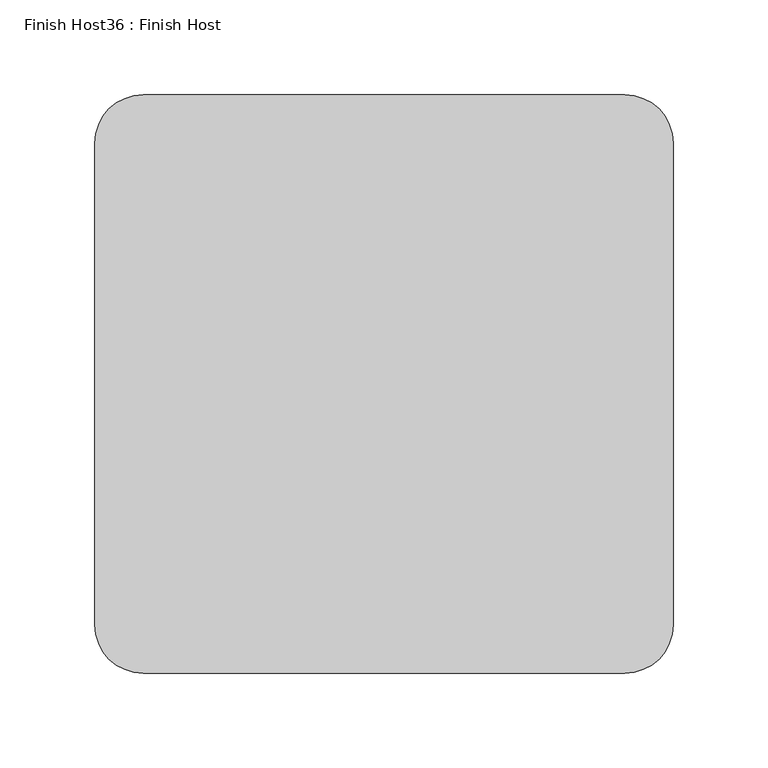
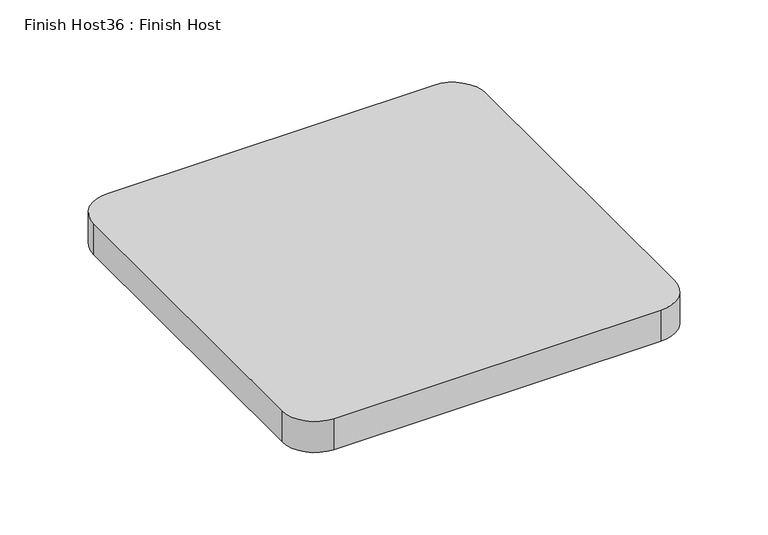
"""IFC4 building model written with IfcOpenShell, lengths in millimetres: proxy geometry, Finish Host36 : Finish Host."""

from ifc_helpers import new_model, si_unit, point, frame_2d, origin, origin_with_axes, place, context, project, spatial, polyline, circle_curve, trimmed, segment, composite_curve, outline, extrude, source, transform, mapped, element, save


def finish_host36_finish_host_4d6229b8(model_context):
    return source(origin(), model_context, "Body", "SweptSolid", [
        extrude(outline(composite_curve([segment(polyline([(3832.6934426, 3188.0122951), (3832.6934426, 3442.0122951)]), True, "CONTINUOUS"), segment(trimmed(circle_curve(frame_2d((3858.0934426, 3442.0122951)), 25.4), [point((3832.6934426, 3442.0122951))], [point((3858.0934426, 3467.4122951))], False, "CARTESIAN"), True, "CONTINUOUS"), segment(polyline([(3858.0934426, 3467.4122951), (4112.0934426, 3467.4122951)]), True, "CONTINUOUS"), segment(trimmed(circle_curve(frame_2d((4112.0934426, 3442.0122951)), 25.4), [point((4112.0934426, 3467.4122951))], [point((4137.4934426, 3442.0122951))], False, "CARTESIAN"), True, "CONTINUOUS"), segment(polyline([(4137.4934426, 3442.0122951), (4137.4934426, 3188.0122951)]), True, "CONTINUOUS"), segment(trimmed(circle_curve(frame_2d((4112.0934426, 3188.0122951)), 25.4), [point((4137.4934426, 3188.0122951))], [point((4112.0934426, 3162.6122951))], False, "CARTESIAN"), True, "CONTINUOUS"), segment(polyline([(4112.0934426, 3162.6122951), (3858.0934426, 3162.6122951)]), True, "CONTINUOUS"), segment(trimmed(circle_curve(frame_2d((3858.0934426, 3188.0122951)), 25.4), [point((3858.0934426, 3162.6122951))], [point((3832.6934426, 3188.0122951))], False, "CARTESIAN"), True, "CONTINUOUS")], self_intersect=False)), origin_with_axes(), (0.0, 0.0, 1.0), 25.4),
    ])


if __name__ == "__main__":
    model = new_model("IFC4")
    model_context = context("Model", 3, world=origin())
    ifc_project = project(units=[si_unit("LENGTHUNIT", "METRE", prefix="MILLI")], contexts=[model_context])
    site = spatial("IfcSite", under=ifc_project)
    building = spatial("IfcBuilding", under=site)
    placement = place(None, origin())
    finish_host36_finish_host_shape = finish_host36_finish_host_4d6229b8(model_context)
    element("IfcBuildingElementProxy", 1, Name="Finish Host36 : Finish Host", ObjectType="Finish Host36 : Finish Host", at=placement, inside=building, context=model_context, shape_type="MappedRepresentation", body=[
        mapped(finish_host36_finish_host_shape, transform((0.0, 0.0, 0.0), x_axis=(1.0, 0.0, 0.0), y_axis=(0.0, 1.0, 0.0), z_axis=(0.0, 0.0, 1.0))),
    ])
    save(model, "model.ifc")
